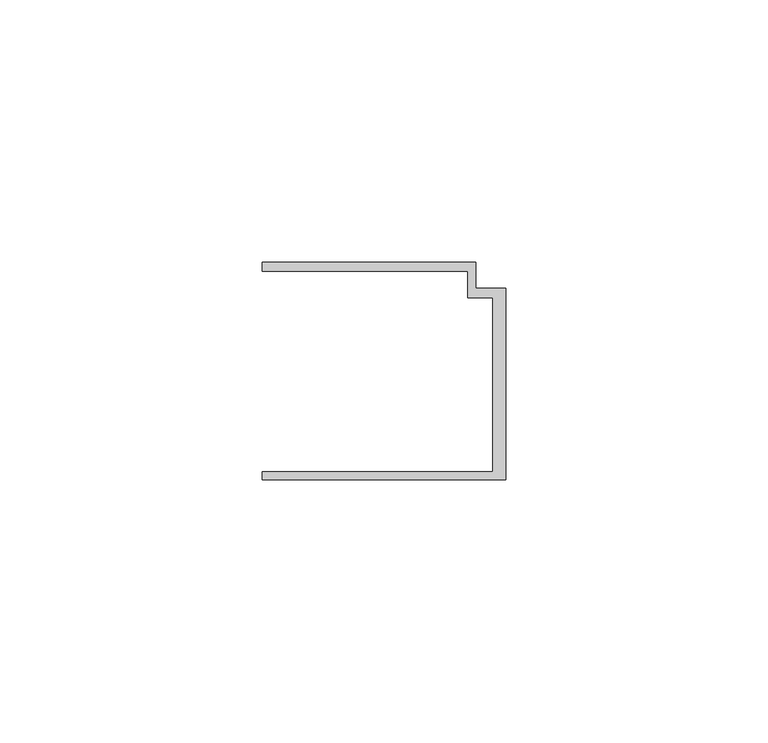
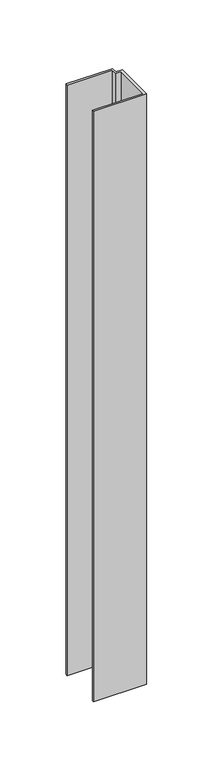
"""IFC4 building model written with IfcOpenShell, lengths in millimetres: member geometry."""

from ifc_helpers import new_model, si_unit, frame, origin, place, context, project, spatial, polyline, outline, extrude, source, transform, mapped, element, save


def member_6413b682(model_context):
    return source(origin(), model_context, "Body", "SweptSolid", [
        extrude(outline(polyline([(-46.3, -19.2), (-2.4, -19.2), (-2.4, 14.0), (-7.2, 14.0), (-7.2, 19.0), (-46.3, 19.0), (-46.3, 20.7), (-5.6999992, 20.7), (-5.6999992, 15.8), (0.0, 15.8), (0.0, -20.7), (-46.3, -20.7), (-46.3, -19.2)])), frame((0.0, 0.0, -543.3), z_axis=(0.0, 0.0, 1.0), x_axis=(1.0, 0.0, 0.0)), (0.0, 0.0, 1.0), 543.3),
    ])


if __name__ == "__main__":
    model = new_model("IFC4")
    model_context = context("Model", 3, world=origin())
    ifc_project = project(units=[si_unit("LENGTHUNIT", "METRE", prefix="MILLI")], contexts=[model_context])
    site = spatial("IfcSite", under=ifc_project)
    building = spatial("IfcBuilding", under=site)
    placement = place(None, origin())
    member_shape = member_6413b682(model_context)
    element("IfcMember", 1, at=placement, inside=building, context=model_context, shape_type="MappedRepresentation", body=[
        mapped(member_shape, transform((0.0, 0.0, 0.0), x_axis=(1.0, 0.0, 0.0), y_axis=(0.0, 1.0, 0.0), z_axis=(0.0, 0.0, 1.0))),
    ])
    save(model, "model.ifc")
